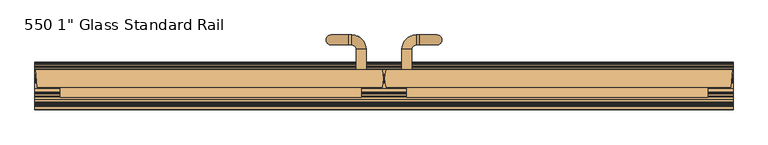
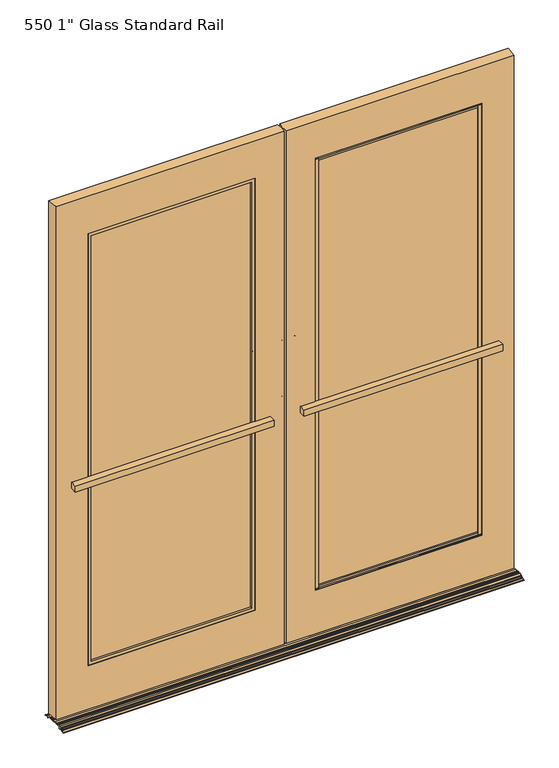
"""IFC4 building model written with IfcOpenShell, lengths in millimetres: door geometry."""

from ifc_helpers import new_model, si_unit, point, frame, frame_2d, origin, place, context, project, spatial, polyline, circle_curve, ellipse_curve, trimmed, segment, composite_curve, outline, extrude, faceted_brep, source, transform, mapped, element, save
from ifc_brep_helpers import plane_surface, cylinder_surface, revolved_surface, advanced_brep


def door_251d555d(model_context):
    return source(origin(), model_context, "Body", "SolidModel", [
        advanced_brep(
        [(-45.6407453, 22.225, 1181.1), (-71.0405047, 22.225, 1181.1), (-45.6407453, 22.225, 952.5), (-71.0405047, 22.225, 952.5), (-71.0405047, 74.4897494, 1181.1), (-45.6407453, 74.4897494, 1181.1), (-82.2759959, 85.7252407, 1181.1), (-82.2759959, 111.125, 1181.1), (-90.0907453, 85.7252407, 1181.1), (-90.0907453, 111.125, 1181.1), (-134.5407453, 85.7252407, 1136.65), (-134.5407453, 111.125, 1136.65), (-134.5407453, 85.7252407, 996.95), (-134.5407453, 111.125, 996.95), (-90.0907453, 85.7252407, 952.5), (-90.0907453, 111.125, 952.5), (-82.2759959, 85.7252407, 952.5), (-82.2759959, 111.125, 952.5), (-71.0405047, 74.4897494, 952.5), (-45.6407453, 74.4897494, 952.5)],
        [
            (0, 1, circle_curve(frame((-58.340625, 22.225, 1181.1), z_axis=(0.0, -1.0, 0.0), x_axis=(1.0, 0.0, 0.0)), 12.6998797)),
            (1, 0, circle_curve(frame((-58.340625, 22.225, 1181.1), z_axis=(0.0, -1.0, 0.0), x_axis=(1.0, 0.0, 0.0)), 12.6998797)),
            (2, 3, circle_curve(frame((-58.340625, 22.225, 952.5), z_axis=(0.0, -1.0, 0.0), x_axis=(1.0, 0.0, 0.0)), 12.6998797)),
            (3, 2, circle_curve(frame((-58.340625, 22.225, 952.5), z_axis=(0.0, -1.0, 0.0), x_axis=(1.0, 0.0, 0.0)), 12.6998797)),
            (1, 4),
            (4, 5, circle_curve(frame((-58.340625, 74.4897494, 1181.1), z_axis=(0.0, -1.0, 0.0), x_axis=(1.0, 0.0, 0.0)), 12.6998797)),
            (5, 0),
            (5, 4, circle_curve(frame((-58.340625, 74.4897494, 1181.1), z_axis=(0.0, -1.0, 0.0), x_axis=(1.0, 0.0, 0.0)), 12.6998797)),
            (6, 7, circle_curve(frame((-82.2759959, 98.4251203, 1181.1), z_axis=(1.0, 0.0, 0.0), x_axis=(0.0, 1.0, 0.0)), 12.6998797)),
            (7, 5, circle_curve(frame((-82.2759959, 74.4897494, 1181.1), z_axis=(0.0, 0.0, -1.0), x_axis=(1.0, 0.0, 0.0)), 36.6352506)),
            (4, 6, circle_curve(frame((-82.2759959, 74.4897494, 1181.1), z_axis=(0.0, 0.0, 1.0), x_axis=(1.0, 0.0, 0.0)), 11.2354913)),
            (7, 6, circle_curve(frame((-82.2759959, 98.4251203, 1181.1), z_axis=(1.0, 0.0, 0.0), x_axis=(0.0, 1.0, 0.0)), 12.6998797)),
            (6, 8),
            (8, 9, circle_curve(frame((-90.0907453, 98.4251203, 1181.1), z_axis=(1.0, 0.0, 0.0), x_axis=(0.0, 1.0, 0.0)), 12.6998797)),
            (9, 7),
            (9, 8, circle_curve(frame((-90.0907453, 98.4251203, 1181.1), z_axis=(1.0, 0.0, 0.0), x_axis=(0.0, 1.0, 0.0)), 12.6998797)),
            (10, 11, circle_curve(frame((-134.5407453, 98.4251203, 1136.65), z_axis=(0.0, 0.0, 1.0), x_axis=(0.0, 1.0, 0.0)), 12.6998797)),
            (11, 9, circle_curve(frame((-90.0907453, 111.125, 1136.65), z_axis=(0.0, 1.0, 0.0), x_axis=(0.0, 0.0, 1.0)), 44.45)),
            (8, 10, circle_curve(frame((-90.0907453, 85.7252407, 1136.65), z_axis=(0.0, -1.0, 0.0), x_axis=(0.0, 0.0, 1.0)), 44.45)),
            (11, 10, circle_curve(frame((-134.5407453, 98.4251203, 1136.65), z_axis=(0.0, 0.0, 1.0), x_axis=(0.0, 1.0, 0.0)), 12.6998797)),
            (10, 12),
            (12, 13, circle_curve(frame((-134.5407453, 98.4251203, 996.95), z_axis=(0.0, 0.0, 1.0), x_axis=(0.0, 1.0, 0.0)), 12.6998797)),
            (13, 11),
            (13, 12, circle_curve(frame((-134.5407453, 98.4251203, 996.95), z_axis=(0.0, 0.0, 1.0), x_axis=(0.0, 1.0, 0.0)), 12.6998797)),
            (14, 15, circle_curve(frame((-90.0907453, 98.4251203, 952.5), z_axis=(-1.0, 0.0, 0.0), x_axis=(0.0, 1.0, 0.0)), 12.6998797)),
            (15, 13, circle_curve(frame((-90.0907453, 111.125, 996.95), z_axis=(0.0, 1.0, 0.0), x_axis=(-1.0, 0.0, 0.0)), 44.45)),
            (12, 14, circle_curve(frame((-90.0907453, 85.7252407, 996.95), z_axis=(0.0, -1.0, 0.0), x_axis=(-1.0, 0.0, 0.0)), 44.45)),
            (15, 14, circle_curve(frame((-90.0907453, 98.4251203, 952.5), z_axis=(-1.0, 0.0, 0.0), x_axis=(0.0, 1.0, 0.0)), 12.6998797)),
            (14, 16),
            (16, 17, circle_curve(frame((-82.2759959, 98.4251203, 952.5), z_axis=(-1.0, 0.0, 0.0), x_axis=(0.0, 1.0, 0.0)), 12.6998797)),
            (17, 15),
            (17, 16, circle_curve(frame((-82.2759959, 98.4251203, 952.5), z_axis=(-1.0, 0.0, 0.0), x_axis=(0.0, 1.0, 0.0)), 12.6998797)),
            (18, 19, circle_curve(frame((-58.340625, 74.4897494, 952.5), z_axis=(0.0, 1.0, 0.0), x_axis=(1.0, 0.0, 0.0)), 12.6998797)),
            (19, 17, circle_curve(frame((-82.2759959, 74.4897494, 952.5), z_axis=(0.0, 0.0, 1.0), x_axis=(0.0, 1.0, 0.0)), 36.6352506)),
            (16, 18, circle_curve(frame((-82.2759959, 74.4897494, 952.5), z_axis=(0.0, 0.0, -1.0), x_axis=(0.0, 1.0, 0.0)), 11.2354913)),
            (19, 18, circle_curve(frame((-58.340625, 74.4897494, 952.5), z_axis=(0.0, 1.0, 0.0), x_axis=(1.0, 0.0, 0.0)), 12.6998797)),
            (18, 3),
            (2, 19),
        ],
        [
            plane_surface(frame((-45.6407453, 22.225, 1181.1), z_axis=(0.0, -1.0, 0.0), x_axis=(0.0, 0.0, 1.0))),
            plane_surface(frame((-45.6407453, 22.225, 952.5), z_axis=(0.0, -1.0, 0.0), x_axis=(0.0, 0.0, -1.0))),
            cylinder_surface(frame((-58.340625, 22.225, 1181.1), z_axis=(0.0, -1.0, 0.0), x_axis=(1.0, 0.0, 0.0)), 12.6998797),
            revolved_surface(trimmed(ellipse_curve(frame((-58.340625, 74.4897494, 1181.1), z_axis=(0.0, 1.0, 0.0), x_axis=(1.0, 0.0, 0.0)), 12.6998797, 12.6998797), [point((-45.6407453, 74.4897494, 1181.1))], [point((-71.0405047, 74.4897494, 1181.1))], True, "CARTESIAN"), (-82.2759959, 74.4897494, 1181.1), (0.0, 0.0, -1.0)),
            revolved_surface(trimmed(ellipse_curve(frame((-58.340625, 74.4897494, 1181.1), z_axis=(0.0, 1.0, 0.0), x_axis=(1.0, 0.0, 0.0)), 12.6998797, 12.6998797), [point((-71.0405047, 74.4897494, 1181.1))], [point((-45.6407453, 74.4897494, 1181.1))], True, "CARTESIAN"), (-82.2759959, 74.4897494, 1181.1), (0.0, 0.0, -1.0)),
            cylinder_surface(frame((-82.2759959, 98.4251203, 1181.1), z_axis=(1.0, 0.0, 0.0), x_axis=(0.0, 1.0, 0.0)), 12.6998797),
            revolved_surface(trimmed(ellipse_curve(frame((-90.0907453, 98.4251203, 1181.1), z_axis=(-1.0, 0.0, 0.0), x_axis=(0.0, 1.0, 0.0)), 12.6998797, 12.6998797), [point((-90.0907453, 111.125, 1181.1))], [point((-90.0907453, 85.7252407, 1181.1))], True, "CARTESIAN"), (-90.0907453, 98.425, 1136.65), (0.0, 1.0, 0.0)),
            revolved_surface(trimmed(ellipse_curve(frame((-90.0907453, 98.4251203, 1181.1), z_axis=(-1.0, 0.0, 0.0), x_axis=(0.0, 1.0, 0.0)), 12.6998797, 12.6998797), [point((-90.0907453, 85.7252407, 1181.1))], [point((-90.0907453, 111.125, 1181.1))], True, "CARTESIAN"), (-90.0907453, 98.425, 1136.65), (0.0, 1.0, 0.0)),
            cylinder_surface(frame((-134.5407453, 98.4251203, 1136.65), z_axis=(0.0, 0.0, 1.0), x_axis=(0.0, 1.0, 0.0)), 12.6998797),
            revolved_surface(trimmed(ellipse_curve(frame((-134.5407453, 98.4251203, 996.95), z_axis=(0.0, 0.0, -1.0), x_axis=(0.0, 1.0, 0.0)), 12.6998797, 12.6998797), [point((-134.5407453, 111.125, 996.95))], [point((-134.5407453, 85.7252407, 996.95))], True, "CARTESIAN"), (-90.0907453, 98.425, 996.95), (0.0, 1.0, 0.0)),
            revolved_surface(trimmed(ellipse_curve(frame((-134.5407453, 98.4251203, 996.95), z_axis=(0.0, 0.0, -1.0), x_axis=(0.0, 1.0, 0.0)), 12.6998797, 12.6998797), [point((-134.5407453, 85.7252407, 996.95))], [point((-134.5407453, 111.125, 996.95))], True, "CARTESIAN"), (-90.0907453, 98.425, 996.95), (0.0, 1.0, 0.0)),
            cylinder_surface(frame((-90.0907453, 98.4251203, 952.5), z_axis=(-1.0, 0.0, 0.0), x_axis=(0.0, 1.0, 0.0)), 12.6998797),
            revolved_surface(trimmed(ellipse_curve(frame((-82.2759959, 98.4251203, 952.5), z_axis=(1.0, 0.0, 0.0), x_axis=(0.0, 1.0, 0.0)), 12.6998797, 12.6998797), [point((-82.2759959, 111.125, 952.5))], [point((-82.2759959, 85.7252407, 952.5))], True, "CARTESIAN"), (-82.2759959, 74.4897494, 952.5), (0.0, 0.0, 1.0)),
            revolved_surface(trimmed(ellipse_curve(frame((-82.2759959, 98.4251203, 952.5), z_axis=(1.0, 0.0, 0.0), x_axis=(0.0, 1.0, 0.0)), 12.6998797, 12.6998797), [point((-82.2759959, 85.7252407, 952.5))], [point((-82.2759959, 111.125, 952.5))], True, "CARTESIAN"), (-82.2759959, 74.4897494, 952.5), (0.0, 0.0, 1.0)),
            cylinder_surface(frame((-58.340625, 74.4897494, 952.5), z_axis=(0.0, 1.0, 0.0), x_axis=(1.0, 0.0, 0.0)), 12.6998797),
        ],
        [
            (0, [[1, 2]]),
            (1, [[3, 4]]),
            (2, [[5, 6, 7, -2]]),
            (2, [[-7, 8, -5, -1]]),
            (3, [[9, 10, -6, 11]]),
            (4, [[12, -11, -8, -10]]),
            (5, [[13, 14, 15, -9]]),
            (5, [[-15, 16, -13, -12]]),
            (6, [[17, 18, -14, 19]]),
            (7, [[20, -19, -16, -18]]),
            (8, [[21, 22, 23, -17]]),
            (8, [[-23, 24, -21, -20]]),
            (9, [[25, 26, -22, 27]]),
            (10, [[28, -27, -24, -26]]),
            (11, [[29, 30, 31, -25]]),
            (11, [[-31, 32, -29, -28]]),
            (12, [[33, 34, -30, 35]]),
            (13, [[36, -35, -32, -34]]),
            (14, [[37, -3, 38, -33]]),
            (14, [[-38, -4, -37, -36]]),
        ],
    ),
        advanced_brep(
        [(45.6407453, 22.225, 1181.1), (71.0405047, 22.225, 1181.1), (45.6407453, 22.225, 952.5), (71.0405047, 22.225, 952.5), (45.6407453, 74.4897494, 1181.1), (71.0405047, 74.4897494, 1181.1), (82.2759959, 85.7252407, 1181.1), (82.2759959, 111.125, 1181.1), (90.0907453, 111.125, 1181.1), (90.0907453, 85.7252407, 1181.1), (134.5407453, 85.7252407, 1136.65), (134.5407453, 111.125, 1136.65), (134.5407453, 111.125, 996.95), (134.5407453, 85.7252407, 996.95), (90.0907453, 85.7252407, 952.5), (90.0907453, 111.125, 952.5), (82.2759959, 111.125, 952.5), (82.2759959, 85.7252407, 952.5), (71.0405047, 74.4897494, 952.5), (45.6407453, 74.4897494, 952.5)],
        [
            (0, 1, circle_curve(frame((58.340625, 22.225, 1181.1), z_axis=(0.0, -1.0, 0.0), x_axis=(-1.0, 0.0, 0.0)), 12.6998797)),
            (1, 0, circle_curve(frame((58.340625, 22.225, 1181.1), z_axis=(0.0, -1.0, 0.0), x_axis=(-1.0, 0.0, 0.0)), 12.6998797)),
            (2, 3, circle_curve(frame((58.340625, 22.225, 952.5), z_axis=(0.0, -1.0, 0.0), x_axis=(-1.0, 0.0, 0.0)), 12.6998797)),
            (3, 2, circle_curve(frame((58.340625, 22.225, 952.5), z_axis=(0.0, -1.0, 0.0), x_axis=(-1.0, 0.0, 0.0)), 12.6998797)),
            (0, 4),
            (4, 5, circle_curve(frame((58.340625, 74.4897494, 1181.1), z_axis=(0.0, -1.0, 0.0), x_axis=(-1.0, 0.0, 0.0)), 12.6998797)),
            (5, 1),
            (5, 4, circle_curve(frame((58.340625, 74.4897494, 1181.1), z_axis=(0.0, -1.0, 0.0), x_axis=(-1.0, 0.0, 0.0)), 12.6998797)),
            (6, 5, circle_curve(frame((82.2759959, 74.4897494, 1181.1), z_axis=(0.0, 0.0, 1.0), x_axis=(-1.0, 0.0, 0.0)), 11.2354913)),
            (4, 7, circle_curve(frame((82.2759959, 74.4897494, 1181.1), z_axis=(0.0, 0.0, -1.0), x_axis=(-1.0, 0.0, 0.0)), 36.6352506)),
            (7, 6, circle_curve(frame((82.2759959, 98.4251203, 1181.1), z_axis=(-1.0, 0.0, 0.0), x_axis=(0.0, 1.0, 0.0)), 12.6998797)),
            (6, 7, circle_curve(frame((82.2759959, 98.4251203, 1181.1), z_axis=(-1.0, 0.0, 0.0), x_axis=(0.0, 1.0, 0.0)), 12.6998797)),
            (7, 8),
            (8, 9, circle_curve(frame((90.0907453, 98.4251203, 1181.1), z_axis=(-1.0, 0.0, 0.0), x_axis=(0.0, 1.0, 0.0)), 12.6998797)),
            (9, 6),
            (9, 8, circle_curve(frame((90.0907453, 98.4251203, 1181.1), z_axis=(-1.0, 0.0, 0.0), x_axis=(0.0, 1.0, 0.0)), 12.6998797)),
            (10, 9, circle_curve(frame((90.0907453, 85.7252407, 1136.65), z_axis=(0.0, -1.0, 0.0), x_axis=(0.0, 0.0, 1.0)), 44.45)),
            (8, 11, circle_curve(frame((90.0907453, 111.125, 1136.65), z_axis=(0.0, 1.0, 0.0), x_axis=(0.0, 0.0, 1.0)), 44.45)),
            (11, 10, circle_curve(frame((134.5407453, 98.4251203, 1136.65), z_axis=(0.0, 0.0, 1.0), x_axis=(0.0, 1.0, 0.0)), 12.6998797)),
            (10, 11, circle_curve(frame((134.5407453, 98.4251203, 1136.65), z_axis=(0.0, 0.0, 1.0), x_axis=(0.0, 1.0, 0.0)), 12.6998797)),
            (11, 12),
            (12, 13, circle_curve(frame((134.5407453, 98.4251203, 996.95), z_axis=(0.0, 0.0, 1.0), x_axis=(0.0, 1.0, 0.0)), 12.6998797)),
            (13, 10),
            (13, 12, circle_curve(frame((134.5407453, 98.4251203, 996.95), z_axis=(0.0, 0.0, 1.0), x_axis=(0.0, 1.0, 0.0)), 12.6998797)),
            (14, 13, circle_curve(frame((90.0907453, 85.7252407, 996.95), z_axis=(0.0, -1.0, 0.0), x_axis=(1.0, 0.0, 0.0)), 44.45)),
            (12, 15, circle_curve(frame((90.0907453, 111.125, 996.95), z_axis=(0.0, 1.0, 0.0), x_axis=(1.0, 0.0, 0.0)), 44.45)),
            (15, 14, circle_curve(frame((90.0907453, 98.4251203, 952.5), z_axis=(1.0, 0.0, 0.0), x_axis=(0.0, 1.0, 0.0)), 12.6998797)),
            (14, 15, circle_curve(frame((90.0907453, 98.4251203, 952.5), z_axis=(1.0, 0.0, 0.0), x_axis=(0.0, 1.0, 0.0)), 12.6998797)),
            (15, 16),
            (16, 17, circle_curve(frame((82.2759959, 98.4251203, 952.5), z_axis=(1.0, 0.0, 0.0), x_axis=(0.0, 1.0, 0.0)), 12.6998797)),
            (17, 14),
            (17, 16, circle_curve(frame((82.2759959, 98.4251203, 952.5), z_axis=(1.0, 0.0, 0.0), x_axis=(0.0, 1.0, 0.0)), 12.6998797)),
            (18, 17, circle_curve(frame((82.2759959, 74.4897494, 952.5), z_axis=(0.0, 0.0, -1.0), x_axis=(0.0, 1.0, 0.0)), 11.2354913)),
            (16, 19, circle_curve(frame((82.2759959, 74.4897494, 952.5), z_axis=(0.0, 0.0, 1.0), x_axis=(0.0, 1.0, 0.0)), 36.6352506)),
            (19, 18, circle_curve(frame((58.340625, 74.4897494, 952.5), z_axis=(0.0, 1.0, 0.0), x_axis=(-1.0, 0.0, 0.0)), 12.6998797)),
            (18, 19, circle_curve(frame((58.340625, 74.4897494, 952.5), z_axis=(0.0, 1.0, 0.0), x_axis=(-1.0, 0.0, 0.0)), 12.6998797)),
            (19, 2),
            (3, 18),
        ],
        [
            plane_surface(frame((45.6407453, 22.225, 1181.1), z_axis=(0.0, -1.0, 0.0), x_axis=(0.0, 0.0, 1.0))),
            plane_surface(frame((45.6407453, 22.225, 952.5), z_axis=(0.0, -1.0, 0.0), x_axis=(0.0, 0.0, -1.0))),
            cylinder_surface(frame((58.340625, 22.225, 1181.1), z_axis=(0.0, -1.0, 0.0), x_axis=(-1.0, 0.0, 0.0)), 12.6998797),
            revolved_surface(trimmed(ellipse_curve(frame((58.340625, 74.4897494, 1181.1), z_axis=(0.0, -1.0, 0.0), x_axis=(-1.0, 0.0, 0.0)), 12.6998797, 12.6998797), [point((45.6407453, 74.4897494, 1181.1))], [point((71.0405047, 74.4897494, 1181.1))], True, "CARTESIAN"), (82.2759959, 74.4897494, 1181.1), (0.0, 0.0, -1.0)),
            revolved_surface(trimmed(ellipse_curve(frame((58.340625, 74.4897494, 1181.1), z_axis=(0.0, -1.0, 0.0), x_axis=(-1.0, 0.0, 0.0)), 12.6998797, 12.6998797), [point((71.0405047, 74.4897494, 1181.1))], [point((45.6407453, 74.4897494, 1181.1))], True, "CARTESIAN"), (82.2759959, 74.4897494, 1181.1), (0.0, 0.0, -1.0)),
            cylinder_surface(frame((82.2759959, 98.4251203, 1181.1), z_axis=(-1.0, 0.0, 0.0), x_axis=(0.0, 1.0, 0.0)), 12.6998797),
            revolved_surface(trimmed(ellipse_curve(frame((90.0907453, 98.4251203, 1181.1), z_axis=(-1.0, 0.0, 0.0), x_axis=(0.0, 1.0, 0.0)), 12.6998797, 12.6998797), [point((90.0907453, 111.125, 1181.1))], [point((90.0907453, 85.7252407, 1181.1))], True, "CARTESIAN"), (90.0907453, 98.425, 1136.65), (0.0, 1.0, 0.0)),
            revolved_surface(trimmed(ellipse_curve(frame((90.0907453, 98.4251203, 1181.1), z_axis=(-1.0, 0.0, 0.0), x_axis=(0.0, 1.0, 0.0)), 12.6998797, 12.6998797), [point((90.0907453, 85.7252407, 1181.1))], [point((90.0907453, 111.125, 1181.1))], True, "CARTESIAN"), (90.0907453, 98.425, 1136.65), (0.0, 1.0, 0.0)),
            cylinder_surface(frame((134.5407453, 98.4251203, 1136.65), z_axis=(0.0, 0.0, 1.0), x_axis=(0.0, 1.0, 0.0)), 12.6998797),
            revolved_surface(trimmed(ellipse_curve(frame((134.5407453, 98.4251203, 996.95), z_axis=(0.0, 0.0, 1.0), x_axis=(0.0, 1.0, 0.0)), 12.6998797, 12.6998797), [point((134.5407453, 111.125, 996.95))], [point((134.5407453, 85.7252407, 996.95))], True, "CARTESIAN"), (90.0907453, 98.425, 996.95), (0.0, 1.0, 0.0)),
            revolved_surface(trimmed(ellipse_curve(frame((134.5407453, 98.4251203, 996.95), z_axis=(0.0, 0.0, 1.0), x_axis=(0.0, 1.0, 0.0)), 12.6998797, 12.6998797), [point((134.5407453, 85.7252407, 996.95))], [point((134.5407453, 111.125, 996.95))], True, "CARTESIAN"), (90.0907453, 98.425, 996.95), (0.0, 1.0, 0.0)),
            cylinder_surface(frame((90.0907453, 98.4251203, 952.5), z_axis=(1.0, 0.0, 0.0), x_axis=(0.0, 1.0, 0.0)), 12.6998797),
            revolved_surface(trimmed(ellipse_curve(frame((82.2759959, 98.4251203, 952.5), z_axis=(1.0, 0.0, 0.0), x_axis=(0.0, 1.0, 0.0)), 12.6998797, 12.6998797), [point((82.2759959, 111.125, 952.5))], [point((82.2759959, 85.7252407, 952.5))], True, "CARTESIAN"), (82.2759959, 74.4897494, 952.5), (0.0, 0.0, 1.0)),
            revolved_surface(trimmed(ellipse_curve(frame((82.2759959, 98.4251203, 952.5), z_axis=(1.0, 0.0, 0.0), x_axis=(0.0, 1.0, 0.0)), 12.6998797, 12.6998797), [point((82.2759959, 85.7252407, 952.5))], [point((82.2759959, 111.125, 952.5))], True, "CARTESIAN"), (82.2759959, 74.4897494, 952.5), (0.0, 0.0, 1.0)),
            cylinder_surface(frame((58.340625, 74.4897494, 952.5), z_axis=(0.0, 1.0, 0.0), x_axis=(-1.0, 0.0, 0.0)), 12.6998797),
        ],
        [
            (0, [[1, 2]]),
            (1, [[3, 4]]),
            (2, [[-1, 5, 6, 7]]),
            (2, [[-2, -7, 8, -5]]),
            (3, [[9, -6, 10, 11]]),
            (4, [[-10, -8, -9, 12]]),
            (5, [[-11, 13, 14, 15]]),
            (5, [[-12, -15, 16, -13]]),
            (6, [[17, -14, 18, 19]]),
            (7, [[-18, -16, -17, 20]]),
            (8, [[-19, 21, 22, 23]]),
            (8, [[-20, -23, 24, -21]]),
            (9, [[25, -22, 26, 27]]),
            (10, [[-26, -24, -25, 28]]),
            (11, [[-27, 29, 30, 31]]),
            (11, [[-28, -31, 32, -29]]),
            (12, [[33, -30, 34, 35]]),
            (13, [[-34, -32, -33, 36]]),
            (14, [[-35, 37, -4, 38]]),
            (14, [[-36, -38, -3, -37]]),
        ],
    ),
        extrude(outline(polyline([(-119.85625, 12.7), (-119.85625, -12.7), (-756.44375, -12.7), (-756.44375, 12.7), (-119.85625, 12.7)])), frame((0.0, 0.0, 198.4375), z_axis=(0.0, 0.0, 1.0), x_axis=(1.0, 0.0, 0.0)), (0.0, 0.0, 1.0), 1754.1875),
        extrude(outline(polyline([(119.85625, 12.7), (756.44375, 12.7), (756.44375, -12.7), (119.85625, -12.7), (119.85625, 12.7)])), frame((0.0, 0.0, 198.4375), z_axis=(0.0, 0.0, 1.0), x_axis=(1.0, 0.0, 0.0)), (0.0, 0.0, 1.0), 1754.1875),
        faceted_brep([(-759.61875, -20.6375, 195.2625), (-116.68125, -20.6375, 195.2625), (-116.68125, -20.6375, 1955.8), (-759.61875, -20.6375, 1955.8), (-129.38125, -20.6375, 207.9625), (-746.91875, -20.6375, 207.9625), (-746.91875, -20.6375, 1943.1), (-129.38125, -20.6375, 1943.1), (-129.38125, -12.7, 207.9625), (-746.91875, -12.7, 207.9625), (-754.2339513, -12.7, 200.6203125), (-754.2339513, -12.7, 1950.4421875), (-122.0660487, -12.7, 1950.4421875), (-122.0660487, -12.7, 200.6203125), (-129.38125, -12.7, 1943.1), (-746.91875, -12.7, 1943.1), (-122.0660487, -18.9507812, 200.6203125), (-754.2339513, -18.9507812, 200.6203125), (-754.2339513, -18.9507812, 1950.4421875), (-122.0660487, -18.9507812, 1950.4421875), (-759.61875, -18.9507812, 195.2625), (-759.61875, -18.9507812, 1955.8), (-116.68125, -18.9507812, 1955.8), (-116.68125, -18.9507812, 195.2625)], [[[0, 1, 2, 3], [4, 5, 6, 7]], [[5, 4, 8, 9]], [[10, 11, 12, 13], [9, 8, 14, 15]], [[10, 13, 16, 17]], [[12, 11, 18, 19]], [[15, 14, 7, 6]], [[9, 15, 6, 5]], [[11, 10, 17, 18]], [[13, 12, 19, 16]], [[4, 7, 14, 8]], [[20, 0, 3, 21]], [[22, 2, 1, 23]], [[0, 20, 23, 1]], [[20, 21, 22, 23], [16, 19, 18, 17]], [[21, 3, 2, 22]]]),
        faceted_brep([(746.91875, -20.6375, 200.6203125), (746.91875, -12.7, 200.6203125), (754.2609375, -12.7, 200.6203125), (754.2609375, -18.9507812, 200.6203125), (759.61875, -18.9507812, 200.6203125), (759.61875, -20.6375, 200.6203125), (754.2609375, -12.7, 1950.4421875), (746.91875, -12.7, 1950.4421875), (746.91875, -20.6375, 1950.4421875), (759.61875, -20.6375, 1950.4421875), (759.61875, -18.9507812, 1950.4421875), (754.2609375, -18.9507812, 1950.4421875)], [[[0, 1, 2, 3, 4, 5]], [[6, 7, 8, 9, 10, 11]], [[2, 6, 11, 3]], [[7, 6, 2, 1]], [[8, 7, 1, 0]], [[9, 8, 0, 5]], [[11, 10, 4, 3]], [[10, 9, 5, 4]]]),
        faceted_brep([(129.38125, 20.6375, 200.6203125), (129.38125, 12.7, 200.6203125), (122.0660487, 12.7, 200.6203125), (122.0660487, 18.9507813, 200.6203125), (116.68125, 18.9507813, 200.6203125), (116.68125, 20.6375, 200.6203125), (122.0660487, 12.7, 1950.4421875), (129.38125, 12.7, 1950.4421875), (129.38125, 20.6375, 1950.4421875), (116.68125, 20.6375, 1950.4421875), (116.68125, 18.9507813, 1950.4421875), (122.0660487, 18.9507813, 1950.4421875)], [[[0, 1, 2, 3, 4, 5]], [[6, 7, 8, 9, 10, 11]], [[7, 6, 2, 1]], [[8, 7, 1, 0]], [[9, 8, 0, 5]], [[2, 6, 11, 3]], [[10, 9, 5, 4]], [[11, 10, 4, 3]]]),
        faceted_brep([(-122.0660487, 12.7, 200.6203125), (-754.2339513, 12.7, 200.6203125), (-754.2339513, 18.9507812, 200.6203125), (-122.0660487, 18.9507812, 200.6203125), (-754.2339513, 12.7, 1950.4421875), (-122.0660487, 12.7, 1950.4421875), (-129.38125, 12.7, 207.9625), (-746.91875, 12.7, 207.9625), (-746.91875, 12.7, 1943.1), (-129.38125, 12.7, 1943.1), (-129.38125, 20.6375, 207.9625), (-746.91875, 20.6375, 207.9625), (-759.61875, 20.6375, 1955.8), (-116.68125, 20.6375, 1955.8), (-116.68125, 20.6375, 195.2625), (-759.61875, 20.6375, 195.2625), (-129.38125, 20.6375, 1943.1), (-746.91875, 20.6375, 1943.1), (-122.0660487, 18.9507812, 1950.4421875), (-754.2339513, 18.9507812, 1950.4421875), (-759.61875, 18.9507812, 1955.8), (-759.61875, 18.9507812, 195.2625), (-116.68125, 18.9507812, 1955.8), (-116.68125, 18.9507812, 195.2625)], [[[0, 1, 2, 3]], [[4, 1, 0, 5], [6, 7, 8, 9]], [[7, 6, 10, 11]], [[12, 13, 14, 15], [11, 10, 16, 17]], [[4, 5, 18, 19]], [[17, 16, 9, 8]], [[1, 4, 19, 2]], [[11, 17, 8, 7]], [[5, 0, 3, 18]], [[6, 9, 16, 10]], [[20, 12, 15, 21]], [[14, 13, 22, 23]], [[20, 21, 23, 22], [2, 19, 18, 3]], [[21, 15, 14, 23]], [[12, 20, 22, 13]]]),
        faceted_brep([(759.61875, 20.6375, 200.6203125), (759.61875, 18.9507813, 200.6203125), (754.2609375, 18.9507813, 200.6203125), (754.2609375, 12.7, 200.6203125), (746.91875, 12.7, 200.6203125), (746.91875, 20.6375, 200.6203125), (746.91875, 20.6375, 1950.4421875), (746.91875, 12.7, 1950.4421875), (754.2609375, 12.7, 1950.4421875), (754.2609375, 18.9507813, 1950.4421875), (759.61875, 18.9507813, 1950.4421875), (759.61875, 20.6375, 1950.4421875)], [[[0, 1, 2, 3, 4, 5]], [[6, 7, 8, 9, 10, 11]], [[6, 11, 0, 5]], [[7, 6, 5, 4]], [[8, 7, 4, 3]], [[8, 3, 2, 9]], [[11, 10, 1, 0]], [[10, 9, 2, 1]]]),
        faceted_brep([(116.68125, -20.6375, 200.6203125), (116.68125, -18.9507812, 200.6203125), (122.0660487, -18.9507812, 200.6203125), (122.0660487, -12.7, 200.6203125), (129.38125, -12.7, 200.6203125), (129.38125, -20.6375, 200.6203125), (129.38125, -20.6375, 1950.4421875), (129.38125, -12.7, 1950.4421875), (122.0660487, -12.7, 1950.4421875), (122.0660487, -18.9507812, 1950.4421875), (116.68125, -18.9507812, 1950.4421875), (116.68125, -20.6375, 1950.4421875)], [[[0, 1, 2, 3, 4, 5]], [[6, 7, 8, 9, 10, 11]], [[7, 6, 5, 4]], [[8, 7, 4, 3]], [[8, 3, 2, 9]], [[6, 11, 0, 5]], [[11, 10, 1, 0]], [[10, 9, 2, 1]]]),
        advanced_brep(
        [(5.8322237, 22.225, 2108.2), (5.8322237, -22.225, 2108.2), (883.0373512, -22.225, 2108.2), (886.61875, 22.225, 2108.2), (5.8322237, -22.225, 17.4625), (5.8322237, 22.225, 17.4625), (886.61875, 22.225, 17.4625), (883.0373512, -22.225, 17.4625), (759.61875, -22.225, 195.2625), (116.68125, -22.225, 195.2625), (116.68125, -22.225, 1955.8), (759.61875, -22.225, 1955.8), (116.68125, 22.225, 195.2625), (116.68125, 22.225, 1955.8), (759.61875, 22.225, 195.2625), (759.61875, 22.225, 1955.8)],
        [
            (0, 1, circle_curve(frame((66.8472915, 0.0, 2108.2), z_axis=(0.0, 0.0, 1.0), x_axis=(1.0, 0.0, 0.0)), 64.9368087)),
            (1, 2),
            (2, 3),
            (3, 0),
            (4, 5, circle_curve(frame((66.8472915, 0.0, 17.4625), z_axis=(0.0, 0.0, -1.0), x_axis=(1.0, 0.0, 0.0)), 64.9368087)),
            (5, 6),
            (6, 7),
            (7, 4),
            (0, 5),
            (4, 1),
            (7, 2),
            (8, 9),
            (9, 10),
            (10, 11),
            (11, 8),
            (9, 12),
            (12, 13),
            (13, 10),
            (3, 6),
            (12, 14),
            (14, 15),
            (15, 13),
            (14, 8),
            (11, 15),
        ],
        [
            plane_surface(frame((131.7841002, 0.0, 2108.2), z_axis=(0.0, 0.0, 1.0), x_axis=(0.0, 1.0, 0.0))),
            plane_surface(frame((131.7841002, 0.0, 17.4625), z_axis=(0.0, 0.0, -1.0), x_axis=(0.0, -1.0, 0.0))),
            cylinder_surface(frame((66.8472915, 0.0, 17.4625), z_axis=(0.0, 0.0, 1.0), x_axis=(1.0, 0.0, 0.0)), 64.9368087),
            plane_surface(frame((5.8322237, -22.225, 2108.2), z_axis=(0.0, -1.0, 0.0), x_axis=(0.0, 0.0, -1.0))),
            plane_surface(frame((116.68125, -22.225, 2108.2), z_axis=(1.0, 0.0, 0.0), x_axis=(0.0, 0.0, -1.0))),
            plane_surface(frame((116.68125, 22.225, 2108.2), z_axis=(0.0, 1.0, 0.0), x_axis=(0.0, 0.0, -1.0))),
            plane_surface(frame((759.61875, 22.225, 2108.2), z_axis=(-1.0, 0.0, 0.0), x_axis=(0.0, 0.0, -1.0))),
            plane_surface(frame((883.0373512, -22.225, 2108.2), z_axis=(0.9967698431043935, -0.08031114416843328, 0.0), x_axis=(0.0, 0.0, -1.0))),
            plane_surface(frame((759.61875, 22.225, 195.2625), z_axis=(0.0, 0.0, 1.0), x_axis=(-1.0, 0.0, 0.0))),
            plane_surface(frame((759.61875, -22.225, 1955.8), z_axis=(0.0, 0.0, -1.0), x_axis=(-1.0, 0.0, 0.0))),
        ],
        [
            (0, [[1, 2, 3, 4]]),
            (1, [[5, 6, 7, 8]]),
            (2, [[-1, 9, -5, 10]]),
            (3, [[-10, -8, 11, -2], [12, 13, 14, 15]]),
            (4, [[-13, 16, 17, 18]]),
            (5, [[-9, -4, 19, -6], [20, 21, 22, -17]]),
            (6, [[-21, 23, -15, 24]]),
            (7, [[-3, -11, -7, -19]]),
            (8, [[-12, -23, -20, -16]]),
            (9, [[-14, -18, -22, -24]]),
        ],
    ),
        advanced_brep(
        [(-886.61875, 22.225, 2108.2), (-883.0373512, -22.225, 2108.2), (-3.8359486, -22.225, 2108.2), (-3.8359486, 22.225, 2108.2), (-3.8359486, 22.225, 17.4625), (-3.8359486, -22.225, 17.4625), (-883.0373512, -22.225, 17.4625), (-886.61875, 22.225, 17.4625), (-759.61875, -22.225, 1955.8), (-116.68125, -22.225, 1955.8), (-116.68125, -22.225, 195.2625), (-759.61875, -22.225, 195.2625), (-759.61875, 22.225, 195.2625), (-759.61875, 22.225, 1955.8), (-116.68125, 22.225, 195.2625), (-116.68125, 22.225, 1955.8)],
        [
            (0, 1),
            (1, 2),
            (2, 3, circle_curve(frame((-131.1410415, 0.0, 2108.2), z_axis=(0.0, 0.0, 1.0), x_axis=(1.0, 0.0, 0.0)), 129.2305587)),
            (3, 0),
            (4, 5, circle_curve(frame((-131.1410415, 0.0, 17.4625), z_axis=(0.0, 0.0, -1.0), x_axis=(1.0, 0.0, 0.0)), 129.2305587)),
            (5, 6),
            (6, 7),
            (7, 4),
            (0, 7),
            (6, 1),
            (5, 2),
            (8, 9),
            (9, 10),
            (10, 11),
            (11, 8),
            (11, 12),
            (12, 13),
            (13, 8),
            (3, 4),
            (12, 14),
            (14, 15),
            (15, 13),
            (14, 10),
            (9, 15),
        ],
        [
            plane_surface(frame((131.7841002, 0.0, 2108.2), z_axis=(0.0, 0.0, 1.0), x_axis=(0.0, 1.0, 0.0))),
            plane_surface(frame((131.7841002, 0.0, 17.4625), z_axis=(0.0, 0.0, -1.0), x_axis=(0.0, -1.0, 0.0))),
            plane_surface(frame((-886.61875, 22.225, 2108.2), z_axis=(-0.9967698431043909, -0.08031114416846645, 0.0), x_axis=(0.0, 0.0, -1.0))),
            plane_surface(frame((-883.0373512, -22.225, 2108.2), z_axis=(0.0, -1.0, 0.0), x_axis=(0.0, 0.0, -1.0))),
            plane_surface(frame((-759.61875, -22.225, 2108.2), z_axis=(1.0, 0.0, 0.0), x_axis=(0.0, 0.0, -1.0))),
            plane_surface(frame((-759.61875, 22.225, 2108.2), z_axis=(0.0, 1.0, 0.0), x_axis=(0.0, 0.0, -1.0))),
            plane_surface(frame((-116.68125, 22.225, 2108.2), z_axis=(-1.0, 0.0, 0.0), x_axis=(0.0, 0.0, -1.0))),
            cylinder_surface(frame((-131.1410415, 0.0, 0.0), z_axis=(0.0, 0.0, 1.0), x_axis=(1.0, 0.0, 0.0)), 129.2305587),
            plane_surface(frame((-759.61875, -22.225, 195.2625), z_axis=(0.0, 0.0, 1.0), x_axis=(1.0, 0.0, 0.0))),
            plane_surface(frame((-759.61875, 22.225, 1955.8), z_axis=(0.0, 0.0, -1.0), x_axis=(1.0, 0.0, 0.0))),
        ],
        [
            (0, [[1, 2, 3, 4]]),
            (1, [[5, 6, 7, 8]]),
            (2, [[-1, 9, -7, 10]]),
            (3, [[-2, -10, -6, 11], [12, 13, 14, 15]]),
            (4, [[-15, 16, 17, 18]]),
            (5, [[-4, 19, -8, -9], [20, 21, 22, -17]]),
            (6, [[-21, 23, -13, 24]]),
            (7, [[-3, -11, -5, -19]]),
            (8, [[-14, -23, -20, -16]]),
            (9, [[-22, -24, -12, -18]]),
        ],
    ),
        extrude(outline(polyline([(759.61875, -18.9507812), (759.61875, -20.6375), (116.68125, -20.6375), (116.68125, -18.9507812), (759.61875, -18.9507812)])), frame((0.0, 0.0, 195.2625), z_axis=(0.0, 0.0, 1.0), x_axis=(1.0, 0.0, 0.0)), (0.0, 0.0, 1.0), 5.3578125),
        extrude(outline(polyline([(759.61875, 20.6375), (759.61875, 18.9507813), (116.68125, 18.9507813), (116.68125, 20.6375), (759.61875, 20.6375)])), frame((0.0, 0.0, 195.2625), z_axis=(0.0, 0.0, 1.0), x_axis=(1.0, 0.0, 0.0)), (0.0, 0.0, 1.0), 5.3578125),
        extrude(outline(polyline([(759.61875, -18.9507812), (759.61875, -20.6375), (116.68125, -20.6375), (116.68125, -18.9507812), (759.61875, -18.9507812)])), frame((0.0, 0.0, 1950.4421875), z_axis=(0.0, 0.0, 1.0), x_axis=(1.0, 0.0, 0.0)), (0.0, 0.0, 1.0), 5.3578125),
        extrude(outline(polyline([(759.61875, 20.6375), (759.61875, 18.9507813), (116.68125, 18.9507813), (116.68125, 20.6375), (759.61875, 20.6375)])), frame((0.0, 0.0, 1950.4421875), z_axis=(0.0, 0.0, 1.0), x_axis=(1.0, 0.0, 0.0)), (0.0, 0.0, 1.0), 5.3578125),
        extrude(outline(polyline([(129.38125, -20.6375), (129.38125, -12.7), (746.91875, -12.7), (746.91875, -20.6375), (129.38125, -20.6375)])), frame((0.0, 0.0, 200.6203125), z_axis=(0.0, 0.0, 1.0), x_axis=(1.0, 0.0, 0.0)), (0.0, 0.0, 1.0), 7.3421875),
        extrude(outline(polyline([(129.38125, 12.7), (129.38125, 20.6375), (746.91875, 20.6375), (746.91875, 12.7), (129.38125, 12.7)])), frame((0.0, 0.0, 200.6203125), z_axis=(0.0, 0.0, 1.0), x_axis=(1.0, 0.0, 0.0)), (0.0, 0.0, 1.0), 7.3421875),
        extrude(outline(polyline([(129.38125, -20.6375), (129.38125, -12.7), (746.91875, -12.7), (746.91875, -20.6375), (129.38125, -20.6375)])), frame((0.0, 0.0, 1943.1), z_axis=(0.0, 0.0, 1.0), x_axis=(1.0, 0.0, 0.0)), (0.0, 0.0, 1.0), 7.3421875),
        extrude(outline(polyline([(129.38125, 12.7), (129.38125, 20.6375), (746.91875, 20.6375), (746.91875, 12.7), (129.38125, 12.7)])), frame((0.0, 0.0, 1943.1), z_axis=(0.0, 0.0, 1.0), x_axis=(1.0, 0.0, 0.0)), (0.0, 0.0, 1.0), 7.3421875),
        extrude(outline(polyline([(58.340625, -47.625), (58.340625, -22.225), (824.309375, -22.225), (824.309375, -47.625), (58.340625, -47.625)])), frame((0.0, 0.0, 939.8), z_axis=(0.0, 0.0, 1.0), x_axis=(1.0, 0.0, 0.0)), (0.0, 0.0, 1.0), 25.3998797),
        extrude(outline(composite_curve([segment(polyline([(-74.4463117, 0.6592104), (-79.3749985, -0.0384612), (-79.3749985, 1.0536177)]), True, "CONTINUOUS"), segment(trimmed(circle_curve(frame_2d((-78.5875974, 1.0536177)), 0.787401), [point((-79.3749985, 1.0536177))], [point((-78.8952504, 1.778428))], False, "CARTESIAN"), True, "CONTINUOUS"), segment(polyline([(-78.8952504, 1.778428), (-72.080128, 4.6712688), (-71.0476981, 4.2541355), (-68.1017138, 5.5046317), (-67.6845737, 6.5370784), (-64.5982932, 7.8471282), (-63.5658209, 7.4299778), (-60.6198634, 8.6804626), (-60.2027216, 9.7129136), (-53.1655951, 12.7), (-47.6249802, 12.7), (-46.8375768, 11.9125965), (-43.6371694, 11.9125965), (-42.8497659, 12.7), (-39.4969346, 12.7), (-38.7095311, 11.9125965), (-35.5091494, 11.9125965), (-34.7217459, 12.7), (-25.4254587, 12.7), (-25.4254587, 11.1252051), (-11.506257, 11.1252051), (-10.7188656, 10.3378138), (-7.518454, 10.3378138), (-6.7310505, 11.1252172), (-3.3782577, 11.1252172), (-2.5908663, 10.3378259), (0.6095438, 10.3378259), (1.3969473, 11.1252294), (4.7497415, 11.1252294), (5.5371329, 10.337838), (8.7375416, 10.337838), (9.5249572, 11.1252536), (22.2248396, 11.1252536), (24.5605282, 10.05395), (24.9479776, 9.0099349), (27.8569404, 7.6756893), (28.9009556, 8.0631387), (31.948514, 6.6653239), (32.3359515, 5.6213409), (35.2449434, 4.2870819), (36.2889266, 4.6745194), (39.4293372, 3.2341163)]), True, "CONTINUOUS"), segment(trimmed(circle_curve(frame_2d((38.1254103, 0.3671045)), 3.1496003), [point((39.4293372, 3.2341163))], [point((41.2538923, 0.0029861))], False, "CARTESIAN"), True, "CONTINUOUS"), segment(polyline([(41.2538923, 0.0029861), (36.3463037, 0.6976712), (36.3463037, 1.6022642), (30.4710181, 4.2970645), (30.0835926, 5.3410154), (29.1138782, 5.7857915), (28.0699272, 5.3983659), (24.3077944, 7.1239325), (24.3077944, 0.0), (22.7329874, 0.0), (22.7329874, 7.8462447), (21.6201634, 8.3566605), (10.6717545, 8.3566605), (9.8843268, 7.5692327), (4.3903392, 7.5692327), (3.6029357, 8.3566362), (2.5437446, 8.3566362), (1.7563411, 7.5692327), (-3.7376722, 7.5692327), (-4.5250515, 8.356612), (-5.5842653, 8.356612), (-6.3716688, 7.5692085), (-11.8656594, 7.5692085), (-12.6530507, 8.3565999), (-28.1940518, 8.3565999), (-28.1940518, 9.9313948), (-33.5749522, 9.9313948), (-34.3623557, 9.1439913), (-39.8525566, 9.1439913), (-40.639948, 9.9313827), (-41.7067611, 9.9313827), (-42.4941524, 9.1439913), (-47.9843363, 9.1439913), (-48.7717398, 9.9313948), (-51.5908069, 9.9313948), (-51.5908069, 0.0), (-53.1656017, 0.0), (-53.1656017, 9.6923002), (-58.0653142, 7.6124932), (-58.4824595, 6.5800337), (-63.5396756, 4.4333727), (-64.5721418, 4.8505207), (-65.5471795, 4.4366418), (-65.9643178, 3.4041994), (-71.0215685, 1.2575237), (-72.0540348, 1.6746717), (-74.4463117, 0.6592104)]), True, "CONTINUOUS")], self_intersect=False)), frame((-889.0, 0.0, 0.0), z_axis=(1.0, 0.0, 0.0), x_axis=(0.0, 1.0, 0.0)), (0.0, 0.0, 1.0), 1778.0),
        extrude(outline(polyline([(-824.309375, -47.625), (-824.309375, -22.225), (-58.340625, -22.225), (-58.340625, -47.625), (-824.309375, -47.625)])), frame((0.0, 0.0, 939.8), z_axis=(0.0, 0.0, 1.0), x_axis=(1.0, 0.0, 0.0)), (0.0, 0.0, 1.0), 25.3998797),
    ])


if __name__ == "__main__":
    model = new_model("IFC4")
    model_context = context("Model", 3, world=origin())
    ifc_project = project(units=[si_unit("LENGTHUNIT", "METRE", prefix="MILLI")], contexts=[model_context])
    site = spatial("IfcSite", under=ifc_project)
    building = spatial("IfcBuilding", under=site)
    placement = place(None, origin())
    door_shape = door_251d555d(model_context)
    element("IfcDoor", 1, ObjectType="550 1\" Glass Standard Rail", at=placement, inside=building, context=model_context, shape_type="MappedRepresentation", body=[
        mapped(door_shape, transform((0.0, 0.0, 0.0), x_axis=(1.0, 0.0, 0.0), y_axis=(0.0, 1.0, 0.0), z_axis=(0.0, 0.0, 1.0))),
    ])
    save(model, "model.ifc")
